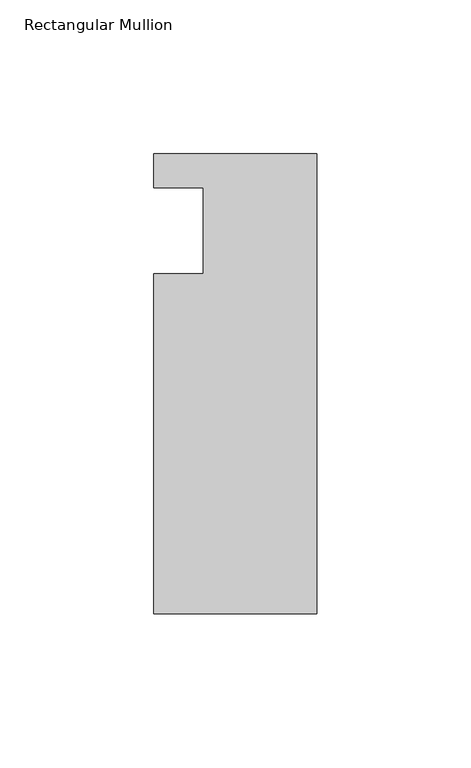
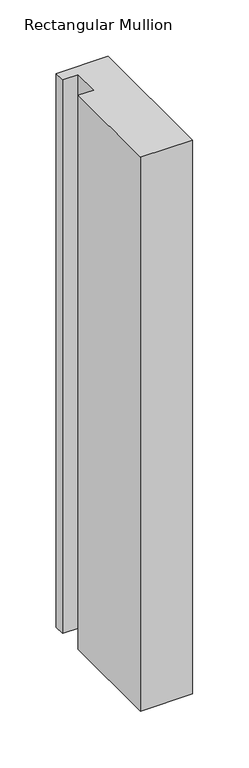
"""IFC4 building model written with IfcOpenShell, lengths in millimetres: member geometry, Rectangular Mullion."""

import ifcopenshell
import ifcopenshell.guid

model = None  # the IFC model being written
_history = None  # IfcOwnerHistory: only IFC2X3 demands one
_inside = {}  # id of a spatial element -> (the spatial element, [elements in it])
_under = {}  # id of a project, library or spatial element -> (it, [spatial elements below it])
_declared = {}  # id of a project -> (the project, [libraries it declares])
_typed = {}  # id of a type object -> (the type object, [elements of that type])
_made_of = {}  # id of a material, layer set ... -> (it, [elements and type objects made of it])


def new_model(schema):
    """Start an empty IFC model of exactly this schema.

    Asked for "IFC4X3", IfcOpenShell would pick the latest addendum, in which some entities
    have other attributes; the version numbers below select the first issue.
    IFC2X3 requires an IfcOwnerHistory on every rooted entity: one is made here for all.
    """
    global model, _history
    if schema == "IFC4X3":
        model = ifcopenshell.file(schema_version=(4, 3, 0, 0))
    else:
        model = ifcopenshell.file(schema=schema)
    _inside.clear()
    _under.clear()
    _declared.clear()
    _typed.clear()
    _made_of.clear()
    _history = None
    if model.schema == "IFC2X3":
        org = make("IfcOrganization", Name="unknown")
        user = make(
            "IfcPersonAndOrganization",
            ThePerson=make("IfcPerson", FamilyName="unknown"),
            TheOrganization=org,
        )
        app = make(
            "IfcApplication",
            ApplicationDeveloper=org,
            Version="unknown",
            ApplicationFullName="unknown",
            ApplicationIdentifier="unknown",
        )
        _history = make(
            "IfcOwnerHistory",
            OwningUser=user,
            OwningApplication=app,
            ChangeAction="ADDED",
            CreationDate=0,
        )
    return model


def make(cls, **values):
    """One entity of the class cls with the attributes given. An attribute that is None is left unset."""
    return model.create_entity(
        cls, **{name: value for name, value in values.items() if value is not None}
    )


def rooted(cls, **values):
    """An entity with a GlobalId (a new one), such as an element, a storey or a relation."""
    return make(cls, GlobalId=ifcopenshell.guid.new(), OwnerHistory=_history, **values)


def si_unit(unit_type, name, prefix=None):
    """IfcSIUnit, for example si_unit("LENGTHUNIT", "METRE", prefix="MILLI")."""
    return make("IfcSIUnit", UnitType=unit_type, Prefix=prefix, Name=name)


def assignment(units):
    """IfcUnitAssignment: the units of a project."""
    return None if units is None else make("IfcUnitAssignment", Units=units)


def point(xyz):
    """IfcCartesianPoint."""
    return None if xyz is None else make("IfcCartesianPoint", Coordinates=xyz)


def direction(xyz):
    """IfcDirection."""
    return None if xyz is None else make("IfcDirection", DirectionRatios=xyz)


def frame(location, z_axis=None, x_axis=None):
    """IfcAxis2Placement3D, a coordinate frame: its origin and axes. An axis left out is left unset."""
    return make(
        "IfcAxis2Placement3D",
        Location=point(location),
        Axis=direction(z_axis),
        RefDirection=direction(x_axis),
    )


def origin():
    """The frame at (0, 0, 0) with its axes left unset."""
    return frame((0.0, 0.0, 0.0))


def place(relative_to, where):
    """IfcLocalPlacement: puts the frame where relative to a parent placement (None: the world)."""
    return make(
        "IfcLocalPlacement", PlacementRelTo=relative_to, RelativePlacement=where
    )


def context(
    kind, dimensions, precision=None, world=None, true_north=None, identifier=None
):
    """IfcGeometricRepresentationContext, for example the 3D "Model" context."""
    return make(
        "IfcGeometricRepresentationContext",
        ContextIdentifier=identifier,
        ContextType=kind,
        CoordinateSpaceDimension=dimensions,
        Precision=precision,
        WorldCoordinateSystem=world,
        TrueNorth=true_north,
    )


def project(units=None, contexts=None):
    """IfcProject with its units and contexts."""
    return rooted(
        "IfcProject",
        Name="project",
        RepresentationContexts=contexts,
        UnitsInContext=assignment(units),
    )


def spatial(cls, under=None, at=None, **own):
    """A site, building, storey or space (cls), placed at a placement, below another one or the project."""
    s = rooted(cls, ObjectPlacement=at, **own)
    if under is not None:
        _under.setdefault(under.id(), (under, []))[1].append(s)
    return s


def polyline(points):
    """IfcPolyline through the points."""
    return make("IfcPolyline", Points=[point(p) for p in points])


def outline(outer, holes=None, kind="AREA"):
    """IfcArbitraryClosedProfileDef: a profile drawn as a closed curve; with holes, ...WithVoids."""
    if holes is None:
        return make("IfcArbitraryClosedProfileDef", ProfileType=kind, OuterCurve=outer)
    return make(
        "IfcArbitraryProfileDefWithVoids",
        ProfileType=kind,
        OuterCurve=outer,
        InnerCurves=holes,
    )


def extrude(swept, where, along, depth):
    """IfcExtrudedAreaSolid: the profile swept, set in the frame where, extruded along a direction by depth."""
    return make(
        "IfcExtrudedAreaSolid",
        SweptArea=swept,
        Position=where,
        ExtrudedDirection=direction(along),
        Depth=depth,
    )


def shape(context_of_items, identifier, shape_type, items):
    """IfcShapeRepresentation: the items that make up one representation, for example the "Body"."""
    return make(
        "IfcShapeRepresentation",
        ContextOfItems=context_of_items,
        RepresentationIdentifier=identifier,
        RepresentationType=shape_type,
        Items=items,
    )


def source(mapping_origin, context_of_items, identifier, shape_type, items):
    """IfcRepresentationMap: a shape defined once, which mapped items show again and again."""
    return make(
        "IfcRepresentationMap",
        MappingOrigin=mapping_origin,
        MappedRepresentation=shape(context_of_items, identifier, shape_type, items),
    )


def transform(
    local_origin,
    x_axis=None,
    y_axis=None,
    z_axis=None,
    scale=None,
    scale2=None,
    scale3=None,
    uniform=True,
):
    """IfcCartesianTransformationOperator3D, or its non-uniform kind. x_axis, y_axis, z_axis: its Axis1, 2, 3."""
    if uniform:
        return make(
            "IfcCartesianTransformationOperator3D",
            Axis1=direction(x_axis),
            Axis2=direction(y_axis),
            LocalOrigin=point(local_origin),
            Scale=scale,
            Axis3=direction(z_axis),
        )
    return make(
        "IfcCartesianTransformationOperator3DnonUniform",
        Axis1=direction(x_axis),
        Axis2=direction(y_axis),
        LocalOrigin=point(local_origin),
        Scale=scale,
        Axis3=direction(z_axis),
        Scale2=scale2,
        Scale3=scale3,
    )


def mapped(mapping_source, mapping_target):
    """IfcMappedItem: shows the shape of a source again, moved by a transform."""
    return make(
        "IfcMappedItem", MappingSource=mapping_source, MappingTarget=mapping_target
    )


def made_of(thing, what):
    """Note that an element or type object is made of a material, layer set ...; save() writes the relation."""
    if what is not None:
        _made_of.setdefault(what.id(), (what, []))[1].append(thing)
    return thing


def element(
    cls,
    number,
    at=None,
    inside=None,
    cuts=None,
    type_object=None,
    material=None,
    context=None,
    identifier="Body",
    shape_type=None,
    held_by="IfcProductDefinitionShape",
    body=None,
    shapes=None,
    **own,
):
    """One element of the class cls, such as IfcWall. Its Tag is "e" and its number.

    at: its placement. inside: the storey or other place that contains it. cuts: it is an
    opening in that element (IfcRelVoidsElement). A single representation is given by context,
    identifier, shape_type and body (its items); several are given by shapes. held_by: the class
    of the entity that holds the representations. save() writes the other relations.
    """
    e = rooted(cls, Tag="e%d" % number, ObjectPlacement=at, **own)
    if body is not None:
        shapes = [shape(context, identifier, shape_type, body)]
    if shapes is not None:
        e.Representation = make(held_by, Representations=shapes)
    if inside is not None:
        _inside.setdefault(inside.id(), (inside, []))[1].append(e)
    if cuts is not None:
        rooted(
            "IfcRelVoidsElement", RelatingBuildingElement=cuts, RelatedOpeningElement=e
        )
    if type_object is not None:
        _typed.setdefault(type_object.id(), (type_object, []))[1].append(e)
    return made_of(e, material)


def aggregate(whole, parts):
    """IfcRelAggregates: a whole, such as a stair, and the parts it consists of."""
    return rooted("IfcRelAggregates", RelatingObject=whole, RelatedObjects=parts)


def save(model, path):
    """Write the relations noted so far, then the file.

    IfcRelAggregates (storeys below a building ...), IfcRelContainedInSpatialStructure (elements
    in a storey), IfcRelDefinesByType, IfcRelAssociatesMaterial and IfcRelDeclares: one each for
    every whole, place, type object, material and project.
    """
    for whole, parts in _under.values():
        aggregate(whole, parts)
    for where, things in _inside.values():
        rooted(
            "IfcRelContainedInSpatialStructure",
            RelatedElements=things,
            RelatingStructure=where,
        )
    for kind, things in _typed.values():
        rooted("IfcRelDefinesByType", RelatedObjects=things, RelatingType=kind)
    for what, things in _made_of.values():
        rooted("IfcRelAssociatesMaterial", RelatedObjects=things, RelatingMaterial=what)
    for by, libraries in _declared.values():
        rooted("IfcRelDeclares", RelatingContext=by, RelatedDefinitions=libraries)
    model.write(path)


def rectangular_mullion_4e93e4ab(model_context):
    return source(origin(), model_context, "Body", "SweptSolid", [
        extrude(outline(polyline([(-37.0, 13.9999453), (-53.0, 13.9999453), (-53.0, 24.9999453), (0.0, 24.9999453), (0.0, -124.5000547), (-53.0, -124.5000547), (-53.0, -14.0000547), (-37.0, -14.0000547), (-37.0, 13.9999453)])), frame((0.0, 0.0, -599.0000086), z_axis=(0.0, 0.0, 1.0), x_axis=(1.0, 0.0, 0.0)), (0.0, 0.0, 1.0), 599.0000086),
    ])


if __name__ == "__main__":
    model = new_model("IFC4")
    model_context = context("Model", 3, world=origin())
    ifc_project = project(units=[si_unit("LENGTHUNIT", "METRE", prefix="MILLI")], contexts=[model_context])
    site = spatial("IfcSite", under=ifc_project)
    building = spatial("IfcBuilding", under=site)
    placement = place(None, origin())
    rectangular_mullion_shape = rectangular_mullion_4e93e4ab(model_context)
    element("IfcMember", 1, ObjectType="Rectangular Mullion", at=placement, inside=building, context=model_context, shape_type="MappedRepresentation", body=[
        mapped(rectangular_mullion_shape, transform((0.0, 0.0, 0.0), x_axis=(1.0, 0.0, 0.0), y_axis=(0.0, 1.0, 0.0), z_axis=(0.0, 0.0, 1.0))),
    ])
    save(model, "model.ifc")
